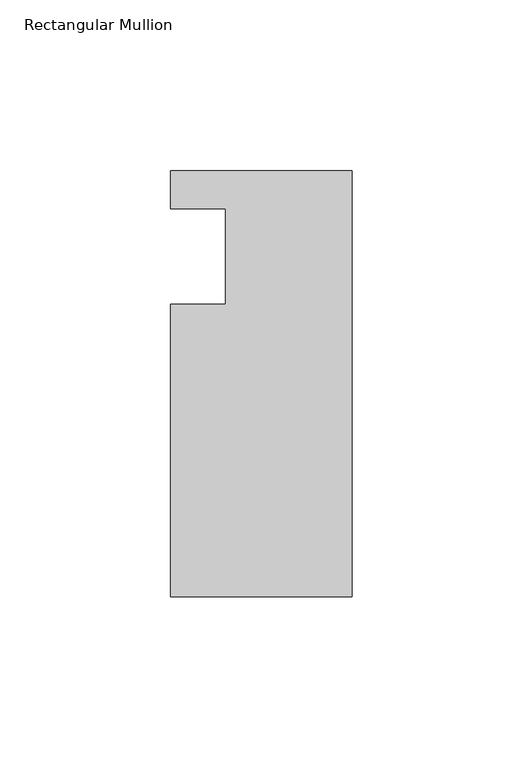
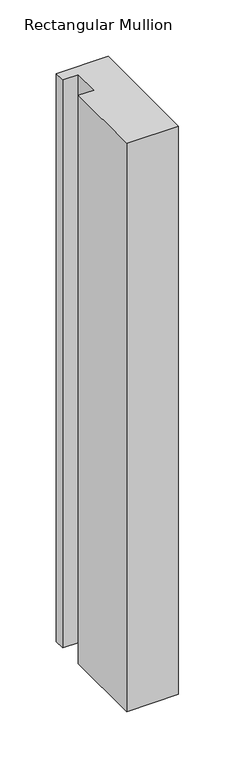
"""IFC4 building model written with IfcOpenShell, lengths in millimetres: member geometry, Rectangular Mullion."""

from ifc_helpers import new_model, si_unit, frame, origin, place, context, project, spatial, polyline, outline, extrude, source, transform, mapped, element, save


def rectangular_mullion_4496f8ac(model_context):
    return source(origin(), model_context, "Body", "SweptSolid", [
        extrude(outline(polyline([(-37.0, 13.9999453), (-53.0, 13.9999453), (-53.0, 24.9999453), (0.0, 24.9999453), (0.0, -99.5000547), (-53.0, -99.5000547), (-53.0, -14.0000547), (-37.0, -14.0000547), (-37.0, 13.9999453)])), frame((0.0, 0.0, -614.542715), z_axis=(0.0, 0.0, 1.0), x_axis=(1.0, 0.0, 0.0)), (0.0, 0.0, 1.0), 614.542715),
    ])


if __name__ == "__main__":
    model = new_model("IFC4")
    model_context = context("Model", 3, world=origin())
    ifc_project = project(units=[si_unit("LENGTHUNIT", "METRE", prefix="MILLI")], contexts=[model_context])
    site = spatial("IfcSite", under=ifc_project)
    building = spatial("IfcBuilding", under=site)
    placement = place(None, origin())
    rectangular_mullion_shape = rectangular_mullion_4496f8ac(model_context)
    element("IfcMember", 1, ObjectType="Rectangular Mullion", at=placement, inside=building, context=model_context, shape_type="MappedRepresentation", body=[
        mapped(rectangular_mullion_shape, transform((0.0, 0.0, 0.0), x_axis=(1.0, 0.0, 0.0), y_axis=(0.0, 1.0, 0.0), z_axis=(0.0, 0.0, 1.0))),
    ])
    save(model, "model.ifc")
